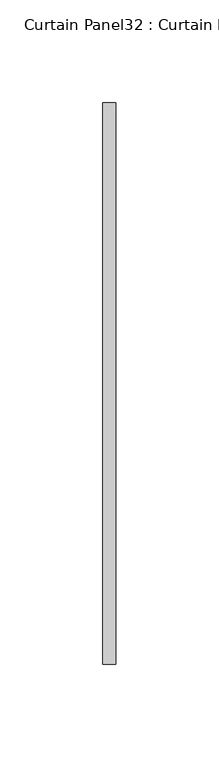
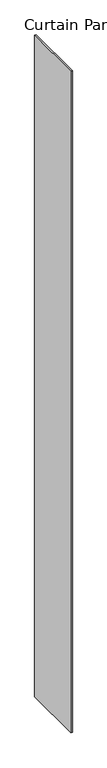
"""IFC4 building model written with IfcOpenShell, lengths in millimetres: plate geometry, Curtain Panel32 : Curtain Panel."""

import ifcopenshell
import ifcopenshell.guid

model = None  # the IFC model being written
_history = None  # IfcOwnerHistory: only IFC2X3 demands one
_inside = {}  # id of a spatial element -> (the spatial element, [elements in it])
_under = {}  # id of a project, library or spatial element -> (it, [spatial elements below it])
_declared = {}  # id of a project -> (the project, [libraries it declares])
_typed = {}  # id of a type object -> (the type object, [elements of that type])
_made_of = {}  # id of a material, layer set ... -> (it, [elements and type objects made of it])


def new_model(schema):
    """Start an empty IFC model of exactly this schema.

    Asked for "IFC4X3", IfcOpenShell would pick the latest addendum, in which some entities
    have other attributes; the version numbers below select the first issue.
    IFC2X3 requires an IfcOwnerHistory on every rooted entity: one is made here for all.
    """
    global model, _history
    if schema == "IFC4X3":
        model = ifcopenshell.file(schema_version=(4, 3, 0, 0))
    else:
        model = ifcopenshell.file(schema=schema)
    _inside.clear()
    _under.clear()
    _declared.clear()
    _typed.clear()
    _made_of.clear()
    _history = None
    if model.schema == "IFC2X3":
        org = make("IfcOrganization", Name="unknown")
        user = make(
            "IfcPersonAndOrganization",
            ThePerson=make("IfcPerson", FamilyName="unknown"),
            TheOrganization=org,
        )
        app = make(
            "IfcApplication",
            ApplicationDeveloper=org,
            Version="unknown",
            ApplicationFullName="unknown",
            ApplicationIdentifier="unknown",
        )
        _history = make(
            "IfcOwnerHistory",
            OwningUser=user,
            OwningApplication=app,
            ChangeAction="ADDED",
            CreationDate=0,
        )
    return model


def make(cls, **values):
    """One entity of the class cls with the attributes given. An attribute that is None is left unset."""
    return model.create_entity(
        cls, **{name: value for name, value in values.items() if value is not None}
    )


def rooted(cls, **values):
    """An entity with a GlobalId (a new one), such as an element, a storey or a relation."""
    return make(cls, GlobalId=ifcopenshell.guid.new(), OwnerHistory=_history, **values)


def si_unit(unit_type, name, prefix=None):
    """IfcSIUnit, for example si_unit("LENGTHUNIT", "METRE", prefix="MILLI")."""
    return make("IfcSIUnit", UnitType=unit_type, Prefix=prefix, Name=name)


def assignment(units):
    """IfcUnitAssignment: the units of a project."""
    return None if units is None else make("IfcUnitAssignment", Units=units)


def point(xyz):
    """IfcCartesianPoint."""
    return None if xyz is None else make("IfcCartesianPoint", Coordinates=xyz)


def direction(xyz):
    """IfcDirection."""
    return None if xyz is None else make("IfcDirection", DirectionRatios=xyz)


def frame(location, z_axis=None, x_axis=None):
    """IfcAxis2Placement3D, a coordinate frame: its origin and axes. An axis left out is left unset."""
    return make(
        "IfcAxis2Placement3D",
        Location=point(location),
        Axis=direction(z_axis),
        RefDirection=direction(x_axis),
    )


def origin():
    """The frame at (0, 0, 0) with its axes left unset."""
    return frame((0.0, 0.0, 0.0))


def origin_with_axes():
    """The frame at (0, 0, 0) with the z axis (0, 0, 1) and the x axis (1, 0, 0) written out."""
    return frame((0.0, 0.0, 0.0), z_axis=(0.0, 0.0, 1.0), x_axis=(1.0, 0.0, 0.0))


def place(relative_to, where):
    """IfcLocalPlacement: puts the frame where relative to a parent placement (None: the world)."""
    return make(
        "IfcLocalPlacement", PlacementRelTo=relative_to, RelativePlacement=where
    )


def context(
    kind, dimensions, precision=None, world=None, true_north=None, identifier=None
):
    """IfcGeometricRepresentationContext, for example the 3D "Model" context."""
    return make(
        "IfcGeometricRepresentationContext",
        ContextIdentifier=identifier,
        ContextType=kind,
        CoordinateSpaceDimension=dimensions,
        Precision=precision,
        WorldCoordinateSystem=world,
        TrueNorth=true_north,
    )


def project(units=None, contexts=None):
    """IfcProject with its units and contexts."""
    return rooted(
        "IfcProject",
        Name="project",
        RepresentationContexts=contexts,
        UnitsInContext=assignment(units),
    )


def spatial(cls, under=None, at=None, **own):
    """A site, building, storey or space (cls), placed at a placement, below another one or the project."""
    s = rooted(cls, ObjectPlacement=at, **own)
    if under is not None:
        _under.setdefault(under.id(), (under, []))[1].append(s)
    return s


def polyline(points):
    """IfcPolyline through the points."""
    return make("IfcPolyline", Points=[point(p) for p in points])


def outline(outer, holes=None, kind="AREA"):
    """IfcArbitraryClosedProfileDef: a profile drawn as a closed curve; with holes, ...WithVoids."""
    if holes is None:
        return make("IfcArbitraryClosedProfileDef", ProfileType=kind, OuterCurve=outer)
    return make(
        "IfcArbitraryProfileDefWithVoids",
        ProfileType=kind,
        OuterCurve=outer,
        InnerCurves=holes,
    )


def extrude(swept, where, along, depth):
    """IfcExtrudedAreaSolid: the profile swept, set in the frame where, extruded along a direction by depth."""
    return make(
        "IfcExtrudedAreaSolid",
        SweptArea=swept,
        Position=where,
        ExtrudedDirection=direction(along),
        Depth=depth,
    )


def shape(context_of_items, identifier, shape_type, items):
    """IfcShapeRepresentation: the items that make up one representation, for example the "Body"."""
    return make(
        "IfcShapeRepresentation",
        ContextOfItems=context_of_items,
        RepresentationIdentifier=identifier,
        RepresentationType=shape_type,
        Items=items,
    )


def source(mapping_origin, context_of_items, identifier, shape_type, items):
    """IfcRepresentationMap: a shape defined once, which mapped items show again and again."""
    return make(
        "IfcRepresentationMap",
        MappingOrigin=mapping_origin,
        MappedRepresentation=shape(context_of_items, identifier, shape_type, items),
    )


def transform(
    local_origin,
    x_axis=None,
    y_axis=None,
    z_axis=None,
    scale=None,
    scale2=None,
    scale3=None,
    uniform=True,
):
    """IfcCartesianTransformationOperator3D, or its non-uniform kind. x_axis, y_axis, z_axis: its Axis1, 2, 3."""
    if uniform:
        return make(
            "IfcCartesianTransformationOperator3D",
            Axis1=direction(x_axis),
            Axis2=direction(y_axis),
            LocalOrigin=point(local_origin),
            Scale=scale,
            Axis3=direction(z_axis),
        )
    return make(
        "IfcCartesianTransformationOperator3DnonUniform",
        Axis1=direction(x_axis),
        Axis2=direction(y_axis),
        LocalOrigin=point(local_origin),
        Scale=scale,
        Axis3=direction(z_axis),
        Scale2=scale2,
        Scale3=scale3,
    )


def mapped(mapping_source, mapping_target):
    """IfcMappedItem: shows the shape of a source again, moved by a transform."""
    return make(
        "IfcMappedItem", MappingSource=mapping_source, MappingTarget=mapping_target
    )


def made_of(thing, what):
    """Note that an element or type object is made of a material, layer set ...; save() writes the relation."""
    if what is not None:
        _made_of.setdefault(what.id(), (what, []))[1].append(thing)
    return thing


def element(
    cls,
    number,
    at=None,
    inside=None,
    cuts=None,
    type_object=None,
    material=None,
    context=None,
    identifier="Body",
    shape_type=None,
    held_by="IfcProductDefinitionShape",
    body=None,
    shapes=None,
    **own,
):
    """One element of the class cls, such as IfcWall. Its Tag is "e" and its number.

    at: its placement. inside: the storey or other place that contains it. cuts: it is an
    opening in that element (IfcRelVoidsElement). A single representation is given by context,
    identifier, shape_type and body (its items); several are given by shapes. held_by: the class
    of the entity that holds the representations. save() writes the other relations.
    """
    e = rooted(cls, Tag="e%d" % number, ObjectPlacement=at, **own)
    if body is not None:
        shapes = [shape(context, identifier, shape_type, body)]
    if shapes is not None:
        e.Representation = make(held_by, Representations=shapes)
    if inside is not None:
        _inside.setdefault(inside.id(), (inside, []))[1].append(e)
    if cuts is not None:
        rooted(
            "IfcRelVoidsElement", RelatingBuildingElement=cuts, RelatedOpeningElement=e
        )
    if type_object is not None:
        _typed.setdefault(type_object.id(), (type_object, []))[1].append(e)
    return made_of(e, material)


def aggregate(whole, parts):
    """IfcRelAggregates: a whole, such as a stair, and the parts it consists of."""
    return rooted("IfcRelAggregates", RelatingObject=whole, RelatedObjects=parts)


def save(model, path):
    """Write the relations noted so far, then the file.

    IfcRelAggregates (storeys below a building ...), IfcRelContainedInSpatialStructure (elements
    in a storey), IfcRelDefinesByType, IfcRelAssociatesMaterial and IfcRelDeclares: one each for
    every whole, place, type object, material and project.
    """
    for whole, parts in _under.values():
        aggregate(whole, parts)
    for where, things in _inside.values():
        rooted(
            "IfcRelContainedInSpatialStructure",
            RelatedElements=things,
            RelatingStructure=where,
        )
    for kind, things in _typed.values():
        rooted("IfcRelDefinesByType", RelatedObjects=things, RelatingType=kind)
    for what, things in _made_of.values():
        rooted("IfcRelAssociatesMaterial", RelatedObjects=things, RelatingMaterial=what)
    for by, libraries in _declared.values():
        rooted("IfcRelDeclares", RelatingContext=by, RelatedDefinitions=libraries)
    model.write(path)


def curtain_panel32_curtain_panel_2b3996a5(model_context):
    return source(origin(), model_context, "Body", "SweptSolid", [
        extrude(outline(polyline([(351434.2196615, 2607.0229239), (351434.2196615, 2333.9729239), (351427.8696615, 2333.9729239), (351427.8696615, 2607.0229239), (351434.2196615, 2607.0229239)])), origin_with_axes(), (0.0, 0.0, 1.0), 3048.0),
    ])


if __name__ == "__main__":
    model = new_model("IFC4")
    model_context = context("Model", 3, world=origin())
    ifc_project = project(units=[si_unit("LENGTHUNIT", "METRE", prefix="MILLI")], contexts=[model_context])
    site = spatial("IfcSite", under=ifc_project)
    building = spatial("IfcBuilding", under=site)
    placement = place(None, origin())
    curtain_panel32_curtain_panel_shape = curtain_panel32_curtain_panel_2b3996a5(model_context)
    element("IfcPlate", 1, ObjectType="Curtain Panel32 : Curtain Panel", at=placement, inside=building, context=model_context, shape_type="MappedRepresentation", body=[
        mapped(curtain_panel32_curtain_panel_shape, transform((0.0, 0.0, 0.0), x_axis=(1.0, 0.0, 0.0), y_axis=(0.0, 1.0, 0.0), z_axis=(0.0, 0.0, 1.0))),
    ])
    save(model, "model.ifc")
